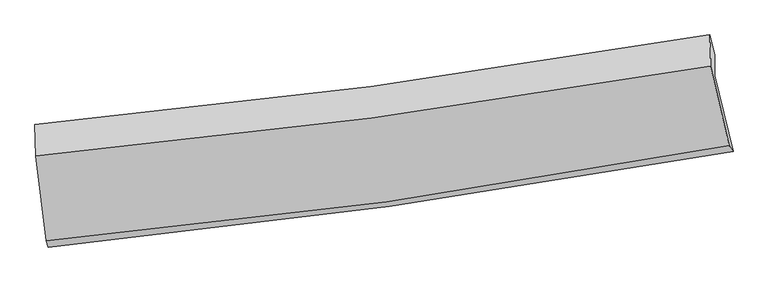
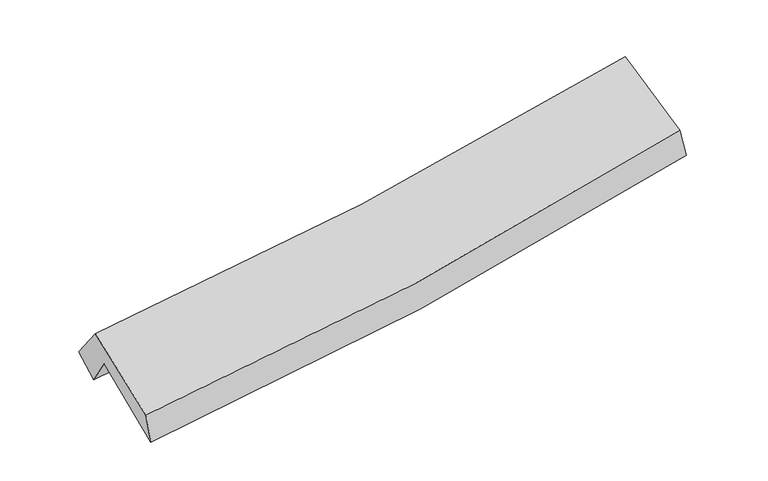
"""IFC4 building model written with IfcOpenShell, lengths in millimetres: proxy geometry."""

from ifc_helpers import new_model, si_unit, frame, origin, place, context, project, spatial, source, transform, mapped, element, save
from ifc_brep_helpers import plane_surface, spline_curve, spline_surface, advanced_brep


def generic_models_16db0658(model_context):
    return source(origin(), model_context, "Body", "AdvancedBrep", [
        advanced_brep(
        [(-2219.2771473, -2387.4082552, 1535.3808719), (-2285.2795621, -1869.9134288, 1898.5909775), (2239.4814456, -1236.8071085, 2276.8011028), (2360.7537509, -1747.1094679, 1928.9003982), (-2286.8419815, -1730.338502, 1681.2615762), (2238.3628881, -1097.1747968, 2059.5058281), (-2309.1619999, -1564.4625661, 1820.2800699), (2206.1871791, -965.048138, 2157.1470779), (-2303.9479758, -1777.9253472, 2097.8201408), (2210.8654442, -1176.0715939, 2456.4229854), (-2233.5323805, -2346.6812943, 1739.8851121), (2333.9567419, -1705.9119181, 2122.7253484)],
        [
            (0, 1),
            (1, 2, spline_curve(3, [(-2285.2795621, -1869.9134288, 1898.5909775), (-1530.239609065, -1802.742822232, 1928.238025319), (-779.051842436, -1717.048823048, 1974.142979816), (729.344621843, -1506.700018908, 2099.610363595), (1486.410524666, -1381.358578146, 2179.775451047), (2239.4814456, -1236.8071085, 2276.8011028)], [4, 2, 4], [0.0, 7.5023897601421305, 15.142565791943635])),
            (2, 3),
            (3, 0, spline_curve(3, [(2360.7537509, -1747.1094679, 1928.9003982), (1598.33417356, -1884.896808038, 1831.218306343), (831.946450804, -2007.497287804, 1749.428879205), (-694.872351001, -2220.387383458, 1618.823765192), (-1455.161594385, -2311.219832659, 1569.440017118), (-2219.2771473, -2387.4082552, 1535.3808719)], [4, 2, 4], [0.0, 7.640176031801505, 15.142565791943635])),
            (1, 4),
            (4, 5, spline_curve(3, [(-2286.8419815, -1730.338502, 1681.2615762), (-1531.720270958, -1663.160114933, 1710.913041629), (-780.454935459, -1577.457494538, 1756.823017228), (728.089638153, -1367.08959345, 1882.301754491), (1485.225925803, -1241.737645445, 1962.47319603), (2238.3628881, -1097.1747968, 2059.5058281)], [4, 2, 4], [0.0, 7.457257672213662, 15.051472735912956])),
            (5, 2),
            (4, 6),
            (6, 7, spline_curve(3, [(-2309.1619999, -1564.4625661, 1820.2800699), (-1557.75886742, -1495.018610183, 1843.299418987), (-809.176167684, -1410.934388556, 1882.477524148), (696.044774564, -1211.672273158, 1994.167544131), (1452.578468124, -1095.951685687, 2067.278441695), (2206.1871791, -965.048138, 2157.1470779)], [4, 2, 4], [0.0, 7.4427037344380365, 15.022097567820504])),
            (7, 5),
            (6, 8),
            (8, 9, spline_curve(3, [(-2303.9479758, -1777.9253472, 2097.8201408), (-1553.081332277, -1706.329576004, 2130.272358141), (-804.813155762, -1620.960061869, 2175.988319715), (700.220972571, -1420.852717479, 2295.030932984), (1456.890602579, -1305.604313858, 2368.84925281), (2210.8654442, -1176.0715939, 2456.4229854)], [4, 2, 4], [0.0, 7.428778752560389, 14.993991862708498])),
            (9, 7),
            (8, 10),
            (10, 11, spline_curve(3, [(-2233.5323805, -2346.6812943, 1739.8851121), (-1470.953028981, -2276.325406801, 1771.490768534), (-712.465089719, -2188.397255591, 1818.762790854), (810.182947414, -1975.458842821, 1945.795472825), (1574.191382154, -1849.797201773, 2026.136862339), (2333.9567419, -1705.9119181, 2122.7253484)], [4, 2, 4], [0.0, 7.478349836357964, 15.09404443552611])),
            (11, 9),
            (10, 0),
            (3, 11),
        ],
        [
            spline_surface(3, 3, [[(-2219.2771473, -2387.4082552, 1535.3808719), (-1455.161594476, -2311.219832572, 1569.440017011), (-694.872351091, -2220.387383415, 1618.823765273), (831.946450895, -2007.497287848, 1749.428879124), (1598.334173601, -1884.896807936, 1831.21830632), (2360.7537509, -1747.1094679, 1928.9003982)], [(-2241.277952238, -2214.90997973, 1656.450907079), (-1480.187599336, -2141.727495752, 1689.03935308), (-722.932181561, -2052.607863235, 1737.263503426), (797.745841223, -1840.564864891, 1866.156040641), (1561.026290597, -1717.050731341, 1947.404021204), (2320.329649131, -1577.008681436, 2044.86729973)], [(-2263.278757162, -2042.41170427, 1777.520942321), (-1505.21360418, -1972.235158942, 1808.638689211), (-750.992012016, -1884.828343108, 1855.70324158), (763.545231567, -1673.632441988, 1982.883202161), (1523.7184076, -1549.204654739, 2063.589736097), (2279.905547369, -1406.907894964, 2160.83420127)], [(-2285.2795621, -1869.9134288, 1898.5909775), (-1530.239609039, -1802.742822122, 1928.238025279), (-779.051842487, -1717.048822928, 1974.142979733), (729.344621895, -1506.70001903, 2099.610363679), (1486.410524595, -1381.358578144, 2179.775450981), (2239.4814456, -1236.8071085, 2276.8011028)]], [4, 4], [4, 2, 4], [0.0, 2.0362445208212776], [0.0, 7.5023897601421305, 15.142565791943635]),
            spline_surface(3, 3, [[(-2285.2795621, -1869.9134288, 1898.5909775), (-1530.239609039, -1802.742822122, 1928.238025279), (-779.051842487, -1717.048822928, 1974.142979733), (729.344621895, -1506.70001903, 2099.610363679), (1486.410524595, -1381.358578144, 2179.775450981), (2239.4814456, -1236.8071085, 2276.8011028)], [(-2285.800368568, -1823.388453196, 1826.147843747), (-1530.733163045, -1756.215253024, 1855.79636405), (-779.519540131, -1670.518380137, 1901.702992255), (728.926293997, -1460.163210534, 2027.17416059), (1486.015658333, -1334.818267247, 2107.341365989), (2239.108593119, -1190.263004618, 2204.369344592)], [(-2286.321175032, -1776.863477604, 1753.704709953), (-1531.226717047, -1709.687683938, 1783.354702781), (-779.98723782, -1623.987937293, 1829.263004781), (728.507966055, -1413.626401983, 1954.737957505), (1485.620792014, -1288.277956296, 2034.907280923), (2238.735740581, -1143.718900682, 2131.937586308)], [(-2286.8419815, -1730.338502, 1681.2615762), (-1531.720271052, -1663.16011484, 1710.913041552), (-780.454935464, -1577.457494502, 1756.823017303), (728.089638158, -1367.089593487, 1882.301754415), (1485.225925751, -1241.737645399, 1962.473195931), (2238.3628881, -1097.1747968, 2059.5058281)]], [4, 4], [4, 2, 4], [0.0, 0.8474204952765256], [0.0, 7.457257672213662, 15.051472735912956]),
            spline_surface(3, 3, [[(-2286.8419815, -1730.338502, 1681.2615762), (-1531.720271052, -1663.16011484, 1710.913041552), (-780.454935464, -1577.457494502, 1756.823017303), (728.089638158, -1367.089593487, 1882.301754415), (1485.225925751, -1241.737645399, 1962.473195931), (2238.3628881, -1097.1747968, 2059.5058281)], [(-2294.281987632, -1675.046523372, 1727.601074099), (-1540.399803144, -1607.112946657, 1755.041833991), (-790.028679581, -1521.949792481, 1798.707852872), (717.408016995, -1315.283820063, 1919.590351017), (1474.343439869, -1193.142325486, 1997.408277849), (2227.637651739, -1053.132577186, 2092.052911343)], [(-2301.721993768, -1619.754544728, 1773.940572001), (-1549.079335239, -1551.065778458, 1799.170626434), (-799.602423684, -1466.44209049, 1840.592688467), (706.726395845, -1263.47804667, 1956.878947643), (1463.460954071, -1144.547005614, 2032.343359839), (2216.912415461, -1009.090357614, 2124.599994657)], [(-2309.1619999, -1564.4625661, 1820.2800699), (-1557.758867332, -1495.018610276, 1843.299418873), (-809.1761678, -1410.934388469, 1882.477524037), (696.044774682, -1211.672273246, 1994.167544244), (1452.578468189, -1095.9516857, 2067.278441757), (2206.1871791, -965.048138, 2157.1470779)]], [4, 4], [4, 2, 4], [0.0, 0.6633279303688062], [0.0, 7.4427037344380365, 15.022097567820504]),
            spline_surface(3, 3, [[(-2309.1619999, -1564.4625661, 1820.2800699), (-1557.758867332, -1495.018610276, 1843.299418873), (-809.1761678, -1410.934388469, 1882.477524037), (696.044774682, -1211.672273246, 1994.167544244), (1452.578468189, -1095.9516857, 2067.278441757), (2206.1871791, -965.048138, 2157.1470779)], [(-2307.423991856, -1635.616826473, 1912.793426874), (-1556.199688949, -1565.455598833, 1938.957065281), (-807.721830449, -1480.942946267, 1980.31445597), (697.436840607, -1281.399087979, 2094.455340479), (1454.015846373, -1165.835895061, 2167.802045427), (2207.746600829, -1035.389289977, 2256.905713752)], [(-2305.685983844, -1706.771086827, 2005.306783826), (-1554.640510599, -1635.892587373, 2034.614711666), (-806.267493049, -1550.951504085, 2078.151387859), (698.828906581, -1351.125902732, 2194.743136671), (1455.45322447, -1235.72010439, 2268.32564904), (2209.306022471, -1105.730441923, 2356.664349548)], [(-2303.9479758, -1777.9253472, 2097.8201408), (-1553.081332216, -1706.32957593, 2130.272358074), (-804.813155697, -1620.960061883, 2175.988319792), (700.220972505, -1420.852717465, 2295.030932906), (1456.890602654, -1305.604313751, 2368.84925271), (2210.8654442, -1176.0715939, 2456.4229854)]], [4, 4], [4, 2, 4], [0.0, 1.1933782975592835], [0.0, 7.428778752560389, 14.993991862708498]),
            spline_surface(3, 3, [[(-2303.9479758, -1777.9253472, 2097.8201408), (-1553.081332216, -1706.32957593, 2130.272358074), (-804.813155697, -1620.960061883, 2175.988319792), (700.220972505, -1420.852717465, 2295.030932906), (1456.890602654, -1305.604313751, 2368.84925271), (2210.8654442, -1176.0715939, 2456.4229854)], [(-2280.476110726, -1967.510662894, 1978.508464546), (-1525.705231139, -1896.328186177, 2010.678494839), (-774.03046702, -1810.105793145, 2056.913143481), (736.874964138, -1605.721425903, 2178.619112847), (1495.990862514, -1487.001943071, 2254.611789252), (2251.895876754, -1352.685035285, 2345.190439723)], [(-2257.004245574, -2157.095978606, 1859.196788354), (-1498.329129985, -2086.326796441, 1891.084631666), (-743.247778365, -1999.251524389, 1937.837967216), (773.528955749, -1790.590134323, 2062.207292833), (1535.091122411, -1668.399572435, 2140.374325825), (2292.926309346, -1529.298476715, 2233.957894077)], [(-2233.5323805, -2346.6812943, 1739.8851121), (-1470.953028908, -2276.325406688, 1771.490768431), (-712.465089688, -2188.39725565, 1818.762790904), (810.182947382, -1975.458842761, 1945.795472774), (1574.19138227, -1849.797201755, 2026.136862368), (2333.9567419, -1705.9119181, 2122.7253484)]], [4, 4], [4, 2, 4], [0.0, 2.199870903729448], [0.0, 7.478349836357964, 15.09404443552611]),
            spline_surface(3, 3, [[(-2233.5323805, -2346.6812943, 1739.8851121), (-1470.953028908, -2276.325406688, 1771.490768431), (-712.465089688, -2188.39725565, 1818.762790904), (810.182947382, -1975.458842761, 1945.795472774), (1574.19138227, -1849.797201755, 2026.136862368), (2333.9567419, -1705.9119181, 2122.7253484)], [(-2228.78063608, -2360.256947935, 1671.717032055), (-1465.689217411, -2287.956881984, 1704.140517979), (-706.600843485, -2199.060631583, 1752.116449038), (817.437448557, -1986.138324468, 1880.339941568), (1582.238979375, -1861.49707048, 1961.164010345), (2342.889078228, -1719.644434698, 2058.11703166)], [(-2224.02889172, -2373.832601565, 1603.548951945), (-1460.425405973, -2299.588357276, 1636.790267463), (-700.736597294, -2209.724007482, 1685.470107139), (824.69194972, -1996.817806141, 1814.884410329), (1590.286576496, -1873.196939211, 1896.191158343), (2351.821414572, -1733.376951302, 1993.50871494)], [(-2219.2771473, -2387.4082552, 1535.3808719), (-1455.161594476, -2311.219832572, 1569.440017011), (-694.872351091, -2220.387383415, 1618.823765273), (831.946450895, -2007.497287848, 1749.428879124), (1598.334173601, -1884.896807936, 1831.21830632), (2360.7537509, -1747.1094679, 1928.9003982)]], [4, 4], [4, 2, 4], [0.0, 0.6616031866678508], [0.0, 7.537630687783755, 15.213694869803264]),
            plane_surface(frame((2264.934575, -1321.3538372, 2166.9171235), z_axis=(0.9812178271821974, 0.16454317825244197, 0.10068325635592316), x_axis=(0.19288749909343358, -0.8302745765622425, -0.5229135112118156))),
            plane_surface(frame((-2273.0068412, -1946.1215656, 1795.5364581), z_axis=(-0.9945423131506579, -0.0908935931042927, -0.05122442860130363), x_axis=(-0.06820460830707874, 0.19485941516880392, 0.9784569176646204))),
        ],
        [
            (0, [[1, 2, 3, 4]]),
            (1, [[5, 6, 7, -2]]),
            (2, [[8, 9, 10, -6]]),
            (3, [[11, 12, 13, -9]]),
            (4, [[14, 15, 16, -12]]),
            (5, [[17, -4, 18, -15]]),
            (6, [[-16, -18, -3, -7, -10, -13]]),
            (7, [[-17, -14, -11, -8, -5, -1]]),
        ],
    ),
    ])


if __name__ == "__main__":
    model = new_model("IFC4")
    model_context = context("Model", 3, world=origin())
    ifc_project = project(units=[si_unit("LENGTHUNIT", "METRE", prefix="MILLI")], contexts=[model_context])
    site = spatial("IfcSite", under=ifc_project)
    building = spatial("IfcBuilding", under=site)
    placement = place(None, origin())
    generic_models_shape = generic_models_16db0658(model_context)
    element("IfcBuildingElementProxy", 1, Name="Generic Models", at=placement, inside=building, context=model_context, shape_type="MappedRepresentation", body=[
        mapped(generic_models_shape, transform((0.0, 0.0, 0.0), x_axis=(1.0, 0.0, 0.0), y_axis=(0.0, 1.0, 0.0), z_axis=(0.0, 0.0, 1.0))),
    ])
    save(model, "model.ifc")
